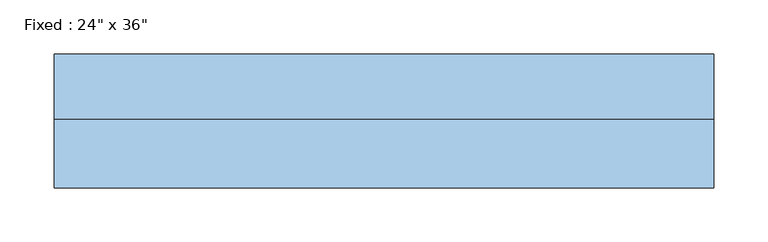
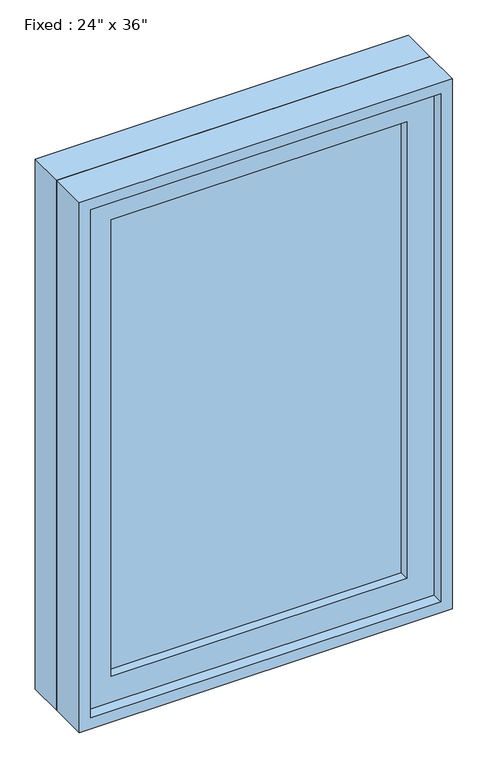
"""IFC4 building model written with IfcOpenShell, lengths in millimetres: window geometry."""

from ifc_helpers import new_model, si_unit, frame, origin, place, context, project, spatial, polyline, outline, extrude, source, transform, mapped, element, save


def window_91edfabb(model_context):
    return source(origin(), model_context, "Body", "SweptSolid", [
        extrude(outline(polyline([(203.2, -14.2875), (203.2, -26.9875), (-279.4, -26.9875), (-279.4, -14.2875), (203.2, -14.2875)])), frame((0.0, 0.0, 977.9), z_axis=(0.0, 0.0, 1.0), x_axis=(1.0, 0.0, 0.0)), (0.0, 0.0, 1.0), 787.4),
        extrude(outline(polyline([(1809.75, -323.85), (933.45, -323.85), (933.45, 247.65), (1809.75, 247.65), (1809.75, -323.85)]), holes=[polyline([(1765.3, -279.4), (1765.3, 203.2), (977.9, 203.2), (977.9, -279.4), (1765.3, -279.4)])]), frame((0.0, -42.8625, 0.0), z_axis=(0.0, 1.0, 0.0), x_axis=(0.0, 0.0, 1.0)), (0.0, 0.0, 1.0), 44.45),
        extrude(outline(polyline([(1828.8, -342.9), (914.4, -342.9), (914.4, 266.7), (1828.8, 266.7), (1828.8, -342.9)]), holes=[polyline([(1797.05, -311.15), (1797.05, 234.95), (946.15, 234.95), (946.15, -311.15), (1797.05, -311.15)])]), frame((0.0, 1.5875, 0.0), z_axis=(0.0, 1.0, 0.0), x_axis=(0.0, 0.0, 1.0)), (0.0, 0.0, 1.0), 60.325),
        extrude(outline(polyline([(1828.8, 266.7), (1828.8, -342.9), (914.4, -342.9), (914.4, 266.7), (1828.8, 266.7)]), holes=[polyline([(1809.75, 247.65), (933.45, 247.65), (933.45, -323.85), (1809.75, -323.85), (1809.75, 247.65)])]), frame((0.0, -61.9125, 0.0), z_axis=(0.0, 1.0, 0.0), x_axis=(0.0, 0.0, 1.0)), (0.0, 0.0, 1.0), 63.5),
    ])


if __name__ == "__main__":
    model = new_model("IFC4")
    model_context = context("Model", 3, world=origin())
    ifc_project = project(units=[si_unit("LENGTHUNIT", "METRE", prefix="MILLI")], contexts=[model_context])
    site = spatial("IfcSite", under=ifc_project)
    building = spatial("IfcBuilding", under=site)
    placement = place(None, origin())
    window_shape = window_91edfabb(model_context)
    element("IfcWindow", 1, ObjectType="Fixed : 24\" x 36\"", at=placement, inside=building, context=model_context, shape_type="MappedRepresentation", body=[
        mapped(window_shape, transform((0.0, 0.0, 0.0), x_axis=(1.0, 0.0, 0.0), y_axis=(0.0, 1.0, 0.0), z_axis=(0.0, 0.0, 1.0))),
    ])
    save(model, "model.ifc")
